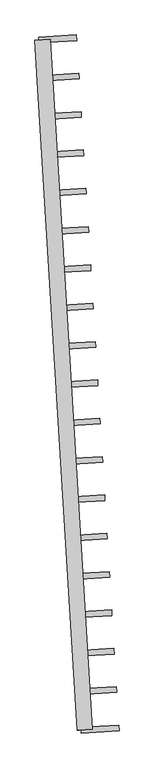
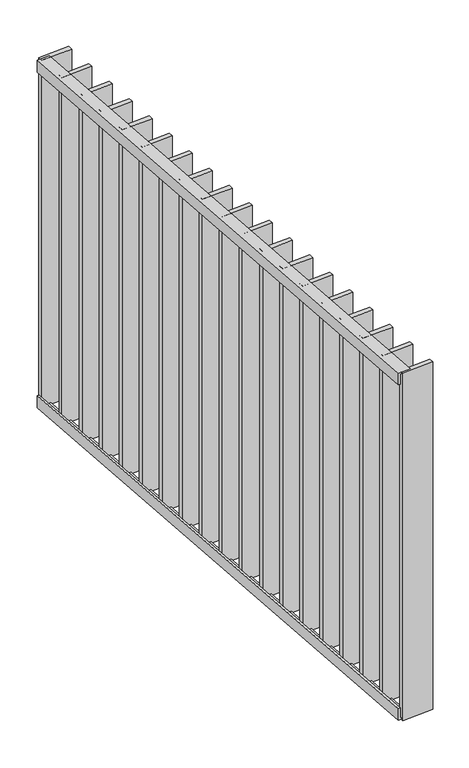
"""IFC4 building model written with IfcOpenShell, lengths in millimetres: railing geometry."""

from ifc_helpers import new_model, si_unit, frame, origin, place, context, project, spatial, polyline, outline, extrude, source, transform, mapped, element, save


def railing_2021b442(model_context):
    return source(origin(), model_context, "Body", "SweptSolid", [
        extrude(outline(polyline([(-14.0, 6.0), (19.9999999, 6.0), (19.9999999, 0.0), (-20.0, 0.0), (-20.0, 40.0), (-14.0, 40.0), (-14.0, 6.0)])), frame((29408.7125168, 31376.5626424, 8000.0), z_axis=(-0.06104853953227454, 0.998134798422025, 0.0), x_axis=(0.998134798422025, 0.06104853953227454, 0.0)), (0.0, 0.0, 1.0), 1820.0),
        extrude(outline(polyline([(-14.0, -6.0), (-14.0, -40.0), (-20.0, -40.0), (-20.0, 0.0), (19.9999999, 0.0), (19.9999999, -6.0), (-14.0, -6.0)])), frame((29408.7125168, 31376.5626424, 6820.0), z_axis=(-0.06104853953227454, 0.998134798422025, 0.0), x_axis=(0.998134798422025, 0.06104853953227454, 0.0)), (0.0, 0.0, 1.0), 1820.0),
        extrude(outline(polyline([(29392.1006191, 31484.3606865), (29491.9140989, 31490.4655405), (29492.829827, 31475.4935185), (29393.0163472, 31469.3886645), (29392.1006191, 31484.3606865)])), frame((0.0, 0.0, 6819.9), z_axis=(0.0, 0.0, 1.0), x_axis=(1.0, 0.0, 0.0)), (0.0, 0.0, 1.0), 1180.2),
        extrude(outline(polyline([(29385.9279334, 31585.283205), (29485.7414133, 31591.388059), (29486.6571414, 31576.416037), (29386.8436615, 31570.311183), (29385.9279334, 31585.283205)])), frame((0.0, 0.0, 6819.9), z_axis=(0.0, 0.0, 1.0), x_axis=(1.0, 0.0, 0.0)), (0.0, 0.0, 1.0), 1180.2),
        extrude(outline(polyline([(29379.7552478, 31686.2057235), (29479.5687276, 31692.3105775), (29480.4844557, 31677.3385555), (29380.6709758, 31671.2337015), (29379.7552478, 31686.2057235)])), frame((0.0, 0.0, 6819.9), z_axis=(0.0, 0.0, 1.0), x_axis=(1.0, 0.0, 0.0)), (0.0, 0.0, 1.0), 1180.2),
        extrude(outline(polyline([(29373.5825621, 31787.128242), (29473.3960419, 31793.233096), (29474.31177, 31778.261074), (29374.4982902, 31772.1562201), (29373.5825621, 31787.128242)])), frame((0.0, 0.0, 6819.9), z_axis=(0.0, 0.0, 1.0), x_axis=(1.0, 0.0, 0.0)), (0.0, 0.0, 1.0), 1180.2),
        extrude(outline(polyline([(29367.4098764, 31888.0507605), (29467.2233563, 31894.1556145), (29468.1390844, 31879.1835925), (29368.3256045, 31873.0787386), (29367.4098764, 31888.0507605)])), frame((0.0, 0.0, 6819.9), z_axis=(0.0, 0.0, 1.0), x_axis=(1.0, 0.0, 0.0)), (0.0, 0.0, 1.0), 1180.2),
        extrude(outline(polyline([(29361.2371908, 31988.973279), (29461.0506706, 31995.078133), (29461.9663987, 31980.106111), (29362.1529189, 31974.0012571), (29361.2371908, 31988.973279)])), frame((0.0, 0.0, 6819.9), z_axis=(0.0, 0.0, 1.0), x_axis=(1.0, 0.0, 0.0)), (0.0, 0.0, 1.0), 1180.2),
        extrude(outline(polyline([(29355.0645051, 32089.8957976), (29454.8779849, 32096.0006515), (29455.793713, 32081.0286295), (29355.9802332, 32074.9237756), (29355.0645051, 32089.8957976)])), frame((0.0, 0.0, 6819.9), z_axis=(0.0, 0.0, 1.0), x_axis=(1.0, 0.0, 0.0)), (0.0, 0.0, 1.0), 1180.2),
        extrude(outline(polyline([(29348.8918194, 32190.8183161), (29448.7052993, 32196.92317), (29449.6210274, 32181.951148), (29349.8075475, 32175.8462941), (29348.8918194, 32190.8183161)])), frame((0.0, 0.0, 6819.9), z_axis=(0.0, 0.0, 1.0), x_axis=(1.0, 0.0, 0.0)), (0.0, 0.0, 1.0), 1180.2),
        extrude(outline(polyline([(29342.7191338, 32291.7408346), (29442.5326136, 32297.8456885), (29443.4483417, 32282.8736665), (29343.6348619, 32276.7688126), (29342.7191338, 32291.7408346)])), frame((0.0, 0.0, 6819.9), z_axis=(0.0, 0.0, 1.0), x_axis=(1.0, 0.0, 0.0)), (0.0, 0.0, 1.0), 1180.2),
        extrude(outline(polyline([(29336.5464481, 32392.6633531), (29436.3599279, 32398.768207), (29437.275656, 32383.796185), (29337.4621762, 32377.6913311), (29336.5464481, 32392.6633531)])), frame((0.0, 0.0, 6819.9), z_axis=(0.0, 0.0, 1.0), x_axis=(1.0, 0.0, 0.0)), (0.0, 0.0, 1.0), 1180.2),
        extrude(outline(polyline([(29330.3737624, 32493.5858716), (29430.1872423, 32499.6907255), (29431.1029704, 32484.7187036), (29331.2894905, 32478.6138496), (29330.3737624, 32493.5858716)])), frame((0.0, 0.0, 6819.9), z_axis=(0.0, 0.0, 1.0), x_axis=(1.0, 0.0, 0.0)), (0.0, 0.0, 1.0), 1180.2),
        extrude(outline(polyline([(29324.2010768, 32594.5083901), (29424.0145566, 32600.613244), (29424.9302847, 32585.6412221), (29325.1168049, 32579.5363681), (29324.2010768, 32594.5083901)])), frame((0.0, 0.0, 6819.9), z_axis=(0.0, 0.0, 1.0), x_axis=(1.0, 0.0, 0.0)), (0.0, 0.0, 1.0), 1180.2),
        extrude(outline(polyline([(29318.0283911, 32695.4309086), (29417.841871, 32701.5357625), (29418.757599, 32686.5637406), (29318.9441192, 32680.4588866), (29318.0283911, 32695.4309086)])), frame((0.0, 0.0, 6819.9), z_axis=(0.0, 0.0, 1.0), x_axis=(1.0, 0.0, 0.0)), (0.0, 0.0, 1.0), 1180.2),
        extrude(outline(polyline([(29311.8557055, 32796.3534271), (29411.6691853, 32802.4582811), (29412.5849134, 32787.4862591), (29312.7714335, 32781.3814051), (29311.8557055, 32796.3534271)])), frame((0.0, 0.0, 6819.9), z_axis=(0.0, 0.0, 1.0), x_axis=(1.0, 0.0, 0.0)), (0.0, 0.0, 1.0), 1180.2),
        extrude(outline(polyline([(29305.6830198, 32897.2759456), (29405.4964996, 32903.3807996), (29406.4122277, 32888.4087776), (29306.5987479, 32882.3039236), (29305.6830198, 32897.2759456)])), frame((0.0, 0.0, 6819.9), z_axis=(0.0, 0.0, 1.0), x_axis=(1.0, 0.0, 0.0)), (0.0, 0.0, 1.0), 1180.2),
        extrude(outline(polyline([(29299.5103341, 32998.1984641), (29399.323814, 33004.3033181), (29400.2395421, 32989.3312961), (29300.4260622, 32983.2264421), (29299.5103341, 32998.1984641)])), frame((0.0, 0.0, 6819.9), z_axis=(0.0, 0.0, 1.0), x_axis=(1.0, 0.0, 0.0)), (0.0, 0.0, 1.0), 1180.2),
        extrude(outline(polyline([(29293.3376485, 33099.1209826), (29393.1511283, 33105.2258366), (29394.0668564, 33090.2538146), (29294.2533766, 33084.1489606), (29293.3376485, 33099.1209826)])), frame((0.0, 0.0, 6819.9), z_axis=(0.0, 0.0, 1.0), x_axis=(1.0, 0.0, 0.0)), (0.0, 0.0, 1.0), 1180.2),
        extrude(outline(polyline([(29398.2733047, 31383.438168), (29498.0867846, 31389.543022), (29499.0025127, 31374.571), (29399.1890328, 31368.466146), (29398.2733047, 31383.438168)])), frame((0.0, 0.0, 6819.9), z_axis=(0.0, 0.0, 1.0), x_axis=(1.0, 0.0, 0.0)), (0.0, 0.0, 1.0), 1180.2),
        extrude(outline(polyline([(29287.1649628, 33200.0435011), (29386.9784426, 33206.1483551), (29387.8941707, 33191.1763331), (29288.0806909, 33185.0714792), (29287.1649628, 33200.0435011)])), frame((0.0, 0.0, 6819.9), z_axis=(0.0, 0.0, 1.0), x_axis=(1.0, 0.0, 0.0)), (0.0, 0.0, 1.0), 1180.2),
    ])


if __name__ == "__main__":
    model = new_model("IFC4")
    model_context = context("Model", 3, world=origin())
    ifc_project = project(units=[si_unit("LENGTHUNIT", "METRE", prefix="MILLI")], contexts=[model_context])
    site = spatial("IfcSite", under=ifc_project)
    building = spatial("IfcBuilding", under=site)
    placement = place(None, origin())
    railing_shape = railing_2021b442(model_context)
    element("IfcRailing", 1, at=placement, inside=building, context=model_context, shape_type="MappedRepresentation", body=[
        mapped(railing_shape, transform((0.0, 0.0, 0.0), x_axis=(1.0, 0.0, 0.0), y_axis=(0.0, 1.0, 0.0), z_axis=(0.0, 0.0, 1.0))),
    ])
    save(model, "model.ifc")
